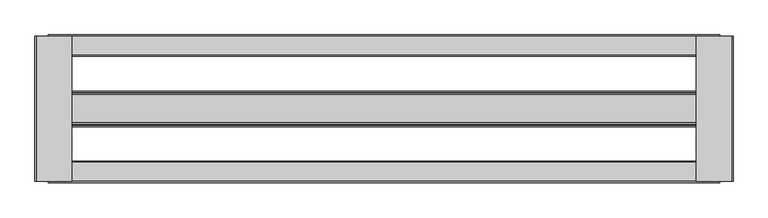
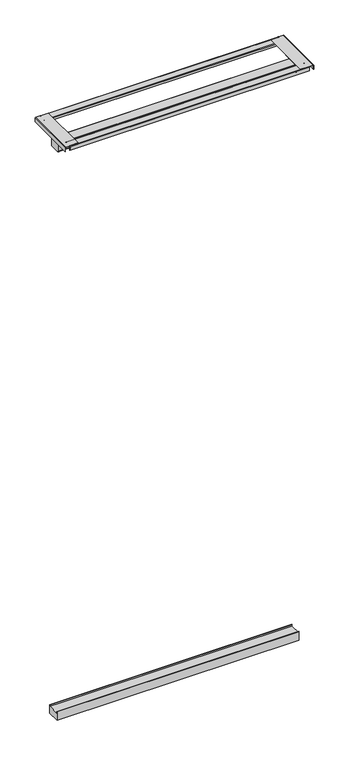
"""IFC4 building model written with IfcOpenShell, lengths in millimetres: proxy geometry."""

from ifc_helpers import new_model, si_unit, point, frame, frame_2d, origin, place, context, project, spatial, polyline, circle_curve, trimmed, segment, composite_curve, outline, extrude, source, transform, mapped, element, save


def specialty_equipment_8b3f036e(model_context):
    return source(origin(), model_context, "Body", "SweptSolid", [
        extrude(outline(polyline([(151.8614375, 45.5168), (153.3854375, 45.5168), (153.3854375, 0.0), (91.5364375, 0.0), (91.5364375, 45.5168), (93.0604375, 45.5168), (93.0604375, 37.1348), (151.8614375, 37.1348), (151.8614375, 45.5168)])), frame((-308.6211522, 0.0, 0.0), z_axis=(1.0, 0.0, 0.0), x_axis=(0.0, 1.0, 0.0)), (0.0, 0.0, 1.0), 1197.5084),
        extrude(outline(composite_curve([segment(trimmed(circle_curve(frame_2d((250.3710963, 3056.9111588)), 1.0456412), [point((251.4167375, 3056.9111588))], [point((250.3710963, 3057.9568))], True, "CARTESIAN"), True, "CONTINUOUS"), segment(polyline([(250.3710963, 3057.9568), (216.9675311, 3057.9568)]), True, "CONTINUOUS"), segment(trimmed(circle_curve(frame_2d((216.9675311, 3057.1254064)), 0.8313936), [point((216.9675311, 3057.9568))], [point((216.1361375, 3057.1254064))], True, "CARTESIAN"), True, "CONTINUOUS"), segment(polyline([(216.1361375, 3057.1254064), (216.1361375, 3046.476), (214.9169375, 3046.476), (214.9169375, 3056.9623653)]), True, "CONTINUOUS"), segment(trimmed(circle_curve(frame_2d((217.1305722, 3056.9623653)), 2.2136347), [point((214.9169375, 3056.9623653))], [point((217.1305722, 3059.176))], False, "CARTESIAN"), True, "CONTINUOUS"), segment(polyline([(217.1305722, 3059.176), (250.5056994, 3059.176)]), True, "CONTINUOUS"), segment(trimmed(circle_curve(frame_2d((250.5056994, 3057.0457619)), 2.1302381), [point((250.5056994, 3059.176))], [point((252.6359375, 3057.0457619))], False, "CARTESIAN"), True, "CONTINUOUS"), segment(polyline([(252.6359375, 3057.0457619), (252.6359375, 3038.2837), (251.4167375, 3038.2837), (251.4167375, 3056.9111588)]), True, "CONTINUOUS")], self_intersect=False)), frame((-301.8381433, 0.0, 0.0), z_axis=(1.0, 0.0, 0.0), x_axis=(0.0, 1.0, 0.0)), (0.0, 0.0, 1.0), 1183.9423822),
        extrude(outline(composite_curve([segment(polyline([(28.7857375, 3046.476), (28.7857375, 3056.939757)]), True, "CONTINUOUS"), segment(trimmed(circle_curve(frame_2d((27.7686945, 3056.939757)), 1.017043), [point((28.7857375, 3056.939757))], [point((27.7686945, 3057.9568))], True, "CARTESIAN"), True, "CONTINUOUS"), segment(polyline([(27.7686945, 3057.9568), (-5.6179457, 3057.9568)]), True, "CONTINUOUS"), segment(trimmed(circle_curve(frame_2d((-5.6179457, 3057.0798832)), 0.8769168), [point((-5.6179457, 3057.9568))], [point((-6.4948625, 3057.0798832))], True, "CARTESIAN"), True, "CONTINUOUS"), segment(polyline([(-6.4948625, 3057.0798832), (-6.4948625, 3038.2837), (-7.7140625, 3038.2837), (-7.7140625, 3057.0872847)]), True, "CONTINUOUS"), segment(trimmed(circle_curve(frame_2d((-5.6253472, 3057.0872847)), 2.0887153), [point((-7.7140625, 3057.0872847))], [point((-5.6253472, 3059.176))], False, "CARTESIAN"), True, "CONTINUOUS"), segment(polyline([(-5.6253472, 3059.176), (27.8200722, 3059.176)]), True, "CONTINUOUS"), segment(trimmed(circle_curve(frame_2d((27.8200722, 3056.9911347)), 2.1848653), [point((27.8200722, 3059.176))], [point((30.0049375, 3056.9911347))], False, "CARTESIAN"), True, "CONTINUOUS"), segment(polyline([(30.0049375, 3056.9911347), (30.0049375, 3046.476), (28.7857375, 3046.476)]), True, "CONTINUOUS")], self_intersect=False)), frame((-301.8381433, 0.0, 0.0), z_axis=(1.0, 0.0, 0.0), x_axis=(0.0, 1.0, 0.0)), (0.0, 0.0, 1.0), 1183.9423822),
        extrude(outline(composite_curve([segment(trimmed(circle_curve(frame_2d((145.976614, 2970.0470435)), 3.9112435), [point((149.8878575, 2970.0470435))], [point((145.976614, 2966.1358))], False, "CARTESIAN"), True, "CONTINUOUS"), segment(polyline([(145.976614, 2966.1358), (100.2545068, 2966.1358)]), True, "CONTINUOUS"), segment(trimmed(circle_curve(frame_2d((100.2545068, 2971.3562893)), 5.2204893), [point((100.2545068, 2966.1358))], [point((95.0340175, 2971.3562893))], False, "CARTESIAN"), True, "CONTINUOUS"), segment(polyline([(95.0340175, 2971.3562893), (95.0340175, 3007.4598892)]), True, "CONTINUOUS"), segment(trimmed(circle_curve(frame_2d((97.4741283, 3007.4598892)), 2.4401108), [point((95.0340175, 3007.4598892))], [point((97.4741283, 3009.9))], False, "CARTESIAN"), True, "CONTINUOUS"), segment(polyline([(97.4741283, 3009.9), (147.3816271, 3009.9)]), True, "CONTINUOUS"), segment(trimmed(circle_curve(frame_2d((147.3816271, 3007.3937696)), 2.5062304), [point((147.3816271, 3009.9))], [point((149.8878575, 3007.3937696))], False, "CARTESIAN"), True, "CONTINUOUS"), segment(polyline([(149.8878575, 3007.3937696), (149.8878575, 2970.0470435)]), True, "CONTINUOUS")], self_intersect=False)), frame((-301.8381433, 0.0, 0.0), z_axis=(1.0, 0.0, 0.0), x_axis=(0.0, 1.0, 0.0)), (0.0, 0.0, 1.0), 1183.9423822),
        extrude(outline(composite_curve([segment(trimmed(circle_curve(frame_2d((3058.0375326, -322.9766847)), 1.0749674), [point((3058.0375326, -324.0516522))], [point((3059.1125, -322.9766847))], True, "CARTESIAN"), True, "CONTINUOUS"), segment(polyline([(3059.1125, -322.9766847), (3059.1125, -260.5516522), (3060.7, -260.5516522), (3060.7, -323.0329018)]), True, "CONTINUOUS"), segment(trimmed(circle_curve(frame_2d((3058.0937496, -323.0329018)), 2.6062504), [point((3060.7, -323.0329018))], [point((3058.0937496, -325.6391522))], False, "CARTESIAN"), True, "CONTINUOUS"), segment(polyline([(3058.0937496, -325.6391522), (3038.475, -325.6391522), (3038.475, -324.0516522), (3058.0375326, -324.0516522)]), True, "CONTINUOUS")], self_intersect=False)), frame((0.0, -5.5390625, 0.0), z_axis=(0.0, 1.0, 0.0), x_axis=(0.0, 0.0, 1.0)), (0.0, 0.0, 1.0), 256.0000001),
        extrude(outline(composite_curve([segment(trimmed(circle_curve(frame_2d((3058.3509434, 903.5561913)), 0.7615566), [point((3059.1125, 903.5561913))], [point((3058.3509434, 904.3177478))], True, "CARTESIAN"), True, "CONTINUOUS"), segment(polyline([(3058.3509434, 904.3177478), (3038.475, 904.3177478), (3038.475, 905.9052478), (3058.4519064, 905.9052478)]), True, "CONTINUOUS"), segment(trimmed(circle_curve(frame_2d((3058.4519064, 903.6571542)), 2.2480936), [point((3058.4519064, 905.9052478))], [point((3060.7, 903.6571542))], False, "CARTESIAN"), True, "CONTINUOUS"), segment(polyline([(3060.7, 903.6571542), (3060.7, 840.8177478), (3059.1125, 840.8177478), (3059.1125, 903.5561913)]), True, "CONTINUOUS")], self_intersect=False)), frame((0.0, -5.5390625, 0.0), z_axis=(0.0, 1.0, 0.0), x_axis=(0.0, 0.0, 1.0)), (0.0, 0.0, 1.0), 256.0000001),
    ])


if __name__ == "__main__":
    model = new_model("IFC4")
    model_context = context("Model", 3, world=origin())
    ifc_project = project(units=[si_unit("LENGTHUNIT", "METRE", prefix="MILLI")], contexts=[model_context])
    site = spatial("IfcSite", under=ifc_project)
    building = spatial("IfcBuilding", under=site)
    placement = place(None, origin())
    specialty_equipment_shape = specialty_equipment_8b3f036e(model_context)
    element("IfcBuildingElementProxy", 1, Name="Specialty Equipment", at=placement, inside=building, context=model_context, shape_type="MappedRepresentation", body=[
        mapped(specialty_equipment_shape, transform((0.0, 0.0, 0.0), x_axis=(1.0, 0.0, 0.0), y_axis=(0.0, 1.0, 0.0), z_axis=(0.0, 0.0, 1.0))),
    ])
    save(model, "model.ifc")
